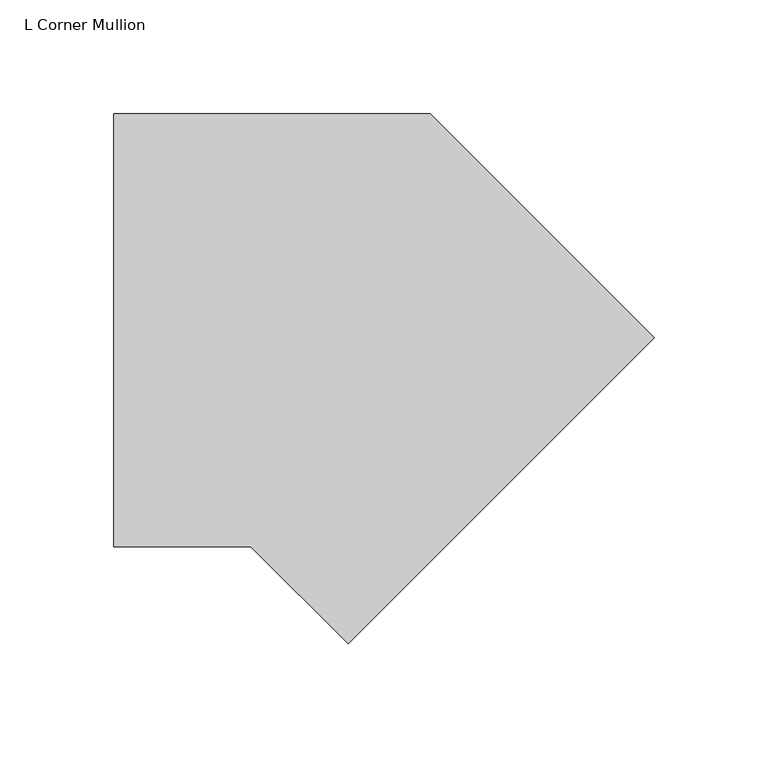
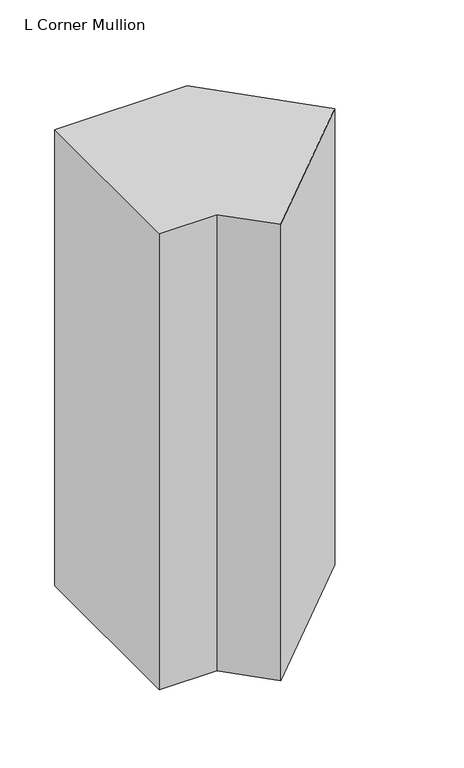
"""IFC4 building model written with IfcOpenShell, lengths in millimetres: member geometry, L Corner Mullion."""

from ifc_helpers import new_model, si_unit, frame, origin, place, context, project, spatial, polyline, outline, extrude, source, transform, mapped, element, save


def l_corner_mullion_506e1ce6(model_context):
    return source(origin(), model_context, "Body", "SweptSolid", [
        extrude(outline(polyline([(26.8995846, -80.7811214), (-15.7815367, -38.1), (-76.1417574, -38.1), (-76.1417574, 152.4), (63.1261469, 152.4), (161.6034264, 53.9227205), (26.8995846, -80.7811214)])), frame((0.0, 0.0, -507.51022), z_axis=(0.0, 0.0, 1.0), x_axis=(1.0, 0.0, 0.0)), (0.0, 0.0, 1.0), 507.51022),
    ])


if __name__ == "__main__":
    model = new_model("IFC4")
    model_context = context("Model", 3, world=origin())
    ifc_project = project(units=[si_unit("LENGTHUNIT", "METRE", prefix="MILLI")], contexts=[model_context])
    site = spatial("IfcSite", under=ifc_project)
    building = spatial("IfcBuilding", under=site)
    placement = place(None, origin())
    l_corner_mullion_shape = l_corner_mullion_506e1ce6(model_context)
    element("IfcMember", 1, ObjectType="L Corner Mullion", at=placement, inside=building, context=model_context, shape_type="MappedRepresentation", body=[
        mapped(l_corner_mullion_shape, transform((0.0, 0.0, 0.0), x_axis=(1.0, 0.0, 0.0), y_axis=(0.0, 1.0, 0.0), z_axis=(0.0, 0.0, 1.0))),
    ])
    save(model, "model.ifc")
